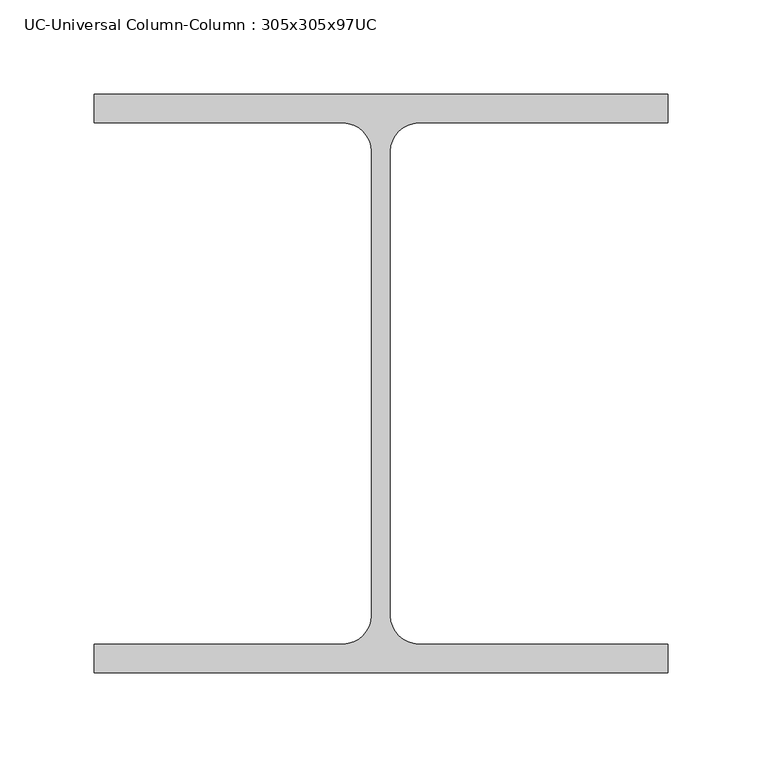
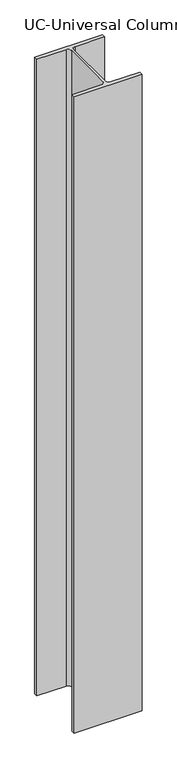
"""IFC4 building model written with IfcOpenShell, lengths in millimetres: column geometry, UC-Universal Column-Column : 305x305x97UC."""

from ifc_helpers import new_model, si_unit, point, frame, frame_2d, origin, place, context, project, spatial, polyline, circle_curve, trimmed, segment, composite_curve, outline, extrude, source, transform, mapped, element, save


def uc_universal_column_column_305x305x97uc_b23f9238(model_context):
    return source(origin(), model_context, "Body", "SweptSolid", [
        extrude(outline(composite_curve([segment(polyline([(152.65, 153.95), (152.65, 138.55), (20.15, 138.55)]), True, "CONTINUOUS"), segment(trimmed(circle_curve(frame_2d((20.15, 123.35)), 15.2), [point((20.15, 138.55))], [point((4.95, 123.35))], True, "CARTESIAN"), True, "CONTINUOUS"), segment(polyline([(4.95, 123.35), (4.95, -123.35)]), True, "CONTINUOUS"), segment(trimmed(circle_curve(frame_2d((20.15, -123.35)), 15.2), [point((4.95, -123.35))], [point((20.15, -138.55))], True, "CARTESIAN"), True, "CONTINUOUS"), segment(polyline([(20.15, -138.55), (152.65, -138.55), (152.65, -153.95), (-152.65, -153.95), (-152.65, -138.55), (-20.15, -138.55)]), True, "CONTINUOUS"), segment(trimmed(circle_curve(frame_2d((-20.15, -123.35)), 15.2), [point((-20.15, -138.55))], [point((-4.95, -123.35))], True, "CARTESIAN"), True, "CONTINUOUS"), segment(polyline([(-4.95, -123.35), (-4.95, 123.35)]), True, "CONTINUOUS"), segment(trimmed(circle_curve(frame_2d((-20.15, 123.35)), 15.2), [point((-4.95, 123.35))], [point((-20.15, 138.55))], True, "CARTESIAN"), True, "CONTINUOUS"), segment(polyline([(-20.15, 138.55), (-152.65, 138.55), (-152.65, 153.95), (152.65, 153.95)]), True, "CONTINUOUS")], self_intersect=False)), frame((0.0, 0.0, 12962.0), z_axis=(0.0, 0.0, 1.0), x_axis=(1.0, 0.0, 0.0)), (0.0, 0.0, 1.0), 3026.4),
    ])


if __name__ == "__main__":
    model = new_model("IFC4")
    model_context = context("Model", 3, world=origin())
    ifc_project = project(units=[si_unit("LENGTHUNIT", "METRE", prefix="MILLI")], contexts=[model_context])
    site = spatial("IfcSite", under=ifc_project)
    building = spatial("IfcBuilding", under=site)
    placement = place(None, origin())
    uc_universal_column_column_305x305x97uc_shape = uc_universal_column_column_305x305x97uc_b23f9238(model_context)
    element("IfcColumn", 1, ObjectType="UC-Universal Column-Column : 305x305x97UC", at=placement, inside=building, context=model_context, shape_type="MappedRepresentation", body=[
        mapped(uc_universal_column_column_305x305x97uc_shape, transform((0.0, 0.0, 0.0), x_axis=(1.0, 0.0, 0.0), y_axis=(0.0, 1.0, 0.0), z_axis=(0.0, 0.0, 1.0))),
    ])
    save(model, "model.ifc")
